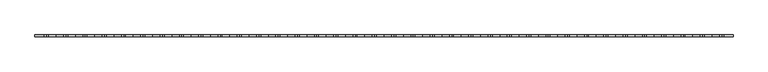
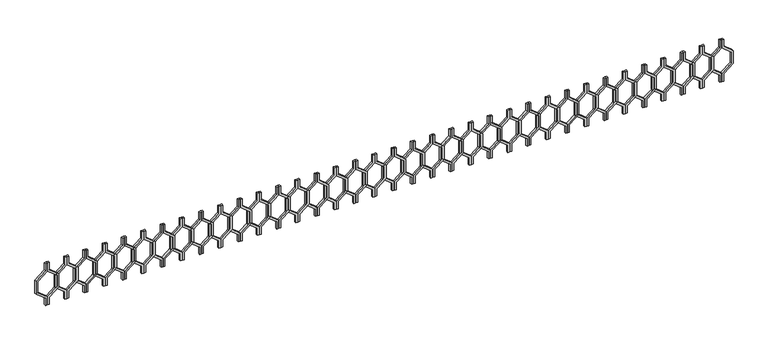
"""IFC4 building model written with IfcOpenShell, lengths in millimetres: railing geometry."""

from ifc_helpers import new_model, si_unit, frame, origin, place, context, project, spatial, polyline, outline, extrude, source, transform, mapped, element, save


def railing_685f9807(model_context):
    return source(origin(), model_context, "Body", "SweptSolid", [
        extrude(outline(polyline([(28862.5128869, 26545.0112841), (28862.5128869, 26525.0112841), (28782.5128869, 26525.0112841), (28702.5128869, 26426.0163347), (28562.5128869, 26426.0163347), (28482.5128869, 26525.0112841), (28402.5128869, 26525.0112841), (28402.5128869, 26545.0112841), (28492.0647319, 26545.0112841), (28572.0647319, 26446.0163347), (28692.9610419, 26446.0163347), (28772.9610419, 26545.0112841), (28862.5128869, 26545.0112841)])), frame((0.0, -16741.8920513, 0.0), z_axis=(0.0, 1.0, 0.0), x_axis=(0.0, 0.0, 1.0)), (0.0, 0.0, 1.0), 20.0),
        extrude(outline(polyline([(28862.5128869, 26545.0112841), (28772.9610419, 26545.0112841), (28692.9610419, 26644.0062335), (28572.0647319, 26644.0062335), (28492.0647319, 26545.0112841), (28402.5128869, 26545.0112841), (28402.5128869, 26565.0112841), (28482.5128869, 26565.0112841), (28562.5128869, 26664.0062335), (28702.5128869, 26664.0062335), (28782.5128869, 26565.0112841), (28862.5128869, 26565.0112841), (28862.5128869, 26545.0112841)])), frame((0.0, -16741.8920513, 0.0), z_axis=(0.0, 1.0, 0.0), x_axis=(0.0, 0.0, 1.0)), (0.0, 0.0, 1.0), 20.0),
        extrude(outline(polyline([(28862.5128869, 26745.0112841), (28862.5128869, 26725.0112841), (28782.5128869, 26725.0112841), (28702.5128869, 26626.0163347), (28562.5128869, 26626.0163347), (28482.5128869, 26725.0112841), (28402.5128869, 26725.0112841), (28402.5128869, 26745.0112841), (28492.0647319, 26745.0112841), (28572.0647319, 26646.0163347), (28692.9610419, 26646.0163347), (28772.9610419, 26745.0112841), (28862.5128869, 26745.0112841)])), frame((0.0, -16741.8920513, 0.0), z_axis=(0.0, 1.0, 0.0), x_axis=(0.0, 0.0, 1.0)), (0.0, 0.0, 1.0), 20.0),
        extrude(outline(polyline([(28862.5128869, 26745.0112841), (28772.9610419, 26745.0112841), (28692.9610419, 26844.0062335), (28572.0647319, 26844.0062335), (28492.0647319, 26745.0112841), (28402.5128869, 26745.0112841), (28402.5128869, 26765.0112841), (28482.5128869, 26765.0112841), (28562.5128869, 26864.0062335), (28702.5128869, 26864.0062335), (28782.5128869, 26765.0112841), (28862.5128869, 26765.0112841), (28862.5128869, 26745.0112841)])), frame((0.0, -16741.8920513, 0.0), z_axis=(0.0, 1.0, 0.0), x_axis=(0.0, 0.0, 1.0)), (0.0, 0.0, 1.0), 20.0),
        extrude(outline(polyline([(28862.5128869, 26945.0112841), (28862.5128869, 26925.0112841), (28782.5128869, 26925.0112841), (28702.5128869, 26826.0163347), (28562.5128869, 26826.0163347), (28482.5128869, 26925.0112841), (28402.5128869, 26925.0112841), (28402.5128869, 26945.0112841), (28492.0647319, 26945.0112841), (28572.0647319, 26846.0163347), (28692.9610419, 26846.0163347), (28772.9610419, 26945.0112841), (28862.5128869, 26945.0112841)])), frame((0.0, -16741.8920513, 0.0), z_axis=(0.0, 1.0, 0.0), x_axis=(0.0, 0.0, 1.0)), (0.0, 0.0, 1.0), 20.0),
        extrude(outline(polyline([(28862.5128869, 26945.0112841), (28772.9610419, 26945.0112841), (28692.9610419, 27044.0062335), (28572.0647319, 27044.0062335), (28492.0647319, 26945.0112841), (28402.5128869, 26945.0112841), (28402.5128869, 26965.0112841), (28482.5128869, 26965.0112841), (28562.5128869, 27064.0062335), (28702.5128869, 27064.0062335), (28782.5128869, 26965.0112841), (28862.5128869, 26965.0112841), (28862.5128869, 26945.0112841)])), frame((0.0, -16741.8920513, 0.0), z_axis=(0.0, 1.0, 0.0), x_axis=(0.0, 0.0, 1.0)), (0.0, 0.0, 1.0), 20.0),
        extrude(outline(polyline([(28862.5128869, 27145.0112841), (28862.5128869, 27125.0112841), (28782.5128869, 27125.0112841), (28702.5128869, 27026.0163347), (28562.5128869, 27026.0163347), (28482.5128869, 27125.0112841), (28402.5128869, 27125.0112841), (28402.5128869, 27145.0112841), (28492.0647319, 27145.0112841), (28572.0647319, 27046.0163347), (28692.9610419, 27046.0163347), (28772.9610419, 27145.0112841), (28862.5128869, 27145.0112841)])), frame((0.0, -16741.8920513, 0.0), z_axis=(0.0, 1.0, 0.0), x_axis=(0.0, 0.0, 1.0)), (0.0, 0.0, 1.0), 20.0),
        extrude(outline(polyline([(28862.5128869, 27145.0112841), (28772.9610419, 27145.0112841), (28692.9610419, 27244.0062335), (28572.0647319, 27244.0062335), (28492.0647319, 27145.0112841), (28402.5128869, 27145.0112841), (28402.5128869, 27165.0112841), (28482.5128869, 27165.0112841), (28562.5128869, 27264.0062335), (28702.5128869, 27264.0062335), (28782.5128869, 27165.0112841), (28862.5128869, 27165.0112841), (28862.5128869, 27145.0112841)])), frame((0.0, -16741.8920513, 0.0), z_axis=(0.0, 1.0, 0.0), x_axis=(0.0, 0.0, 1.0)), (0.0, 0.0, 1.0), 20.0),
        extrude(outline(polyline([(28862.5128869, 27345.0112841), (28862.5128869, 27325.0112841), (28782.5128869, 27325.0112841), (28702.5128869, 27226.0163347), (28562.5128869, 27226.0163347), (28482.5128869, 27325.0112841), (28402.5128869, 27325.0112841), (28402.5128869, 27345.0112841), (28492.0647319, 27345.0112841), (28572.0647319, 27246.0163347), (28692.9610419, 27246.0163347), (28772.9610419, 27345.0112841), (28862.5128869, 27345.0112841)])), frame((0.0, -16741.8920513, 0.0), z_axis=(0.0, 1.0, 0.0), x_axis=(0.0, 0.0, 1.0)), (0.0, 0.0, 1.0), 20.0),
        extrude(outline(polyline([(28862.5128869, 27345.0112841), (28772.9610419, 27345.0112841), (28692.9610419, 27444.0062335), (28572.0647319, 27444.0062335), (28492.0647319, 27345.0112841), (28402.5128869, 27345.0112841), (28402.5128869, 27365.0112841), (28482.5128869, 27365.0112841), (28562.5128869, 27464.0062335), (28702.5128869, 27464.0062335), (28782.5128869, 27365.0112841), (28862.5128869, 27365.0112841), (28862.5128869, 27345.0112841)])), frame((0.0, -16741.8920513, 0.0), z_axis=(0.0, 1.0, 0.0), x_axis=(0.0, 0.0, 1.0)), (0.0, 0.0, 1.0), 20.0),
        extrude(outline(polyline([(28862.5128869, 27545.0112841), (28862.5128869, 27525.0112841), (28782.5128869, 27525.0112841), (28702.5128869, 27426.0163347), (28562.5128869, 27426.0163347), (28482.5128869, 27525.0112841), (28402.5128869, 27525.0112841), (28402.5128869, 27545.0112841), (28492.0647319, 27545.0112841), (28572.0647319, 27446.0163347), (28692.9610419, 27446.0163347), (28772.9610419, 27545.0112841), (28862.5128869, 27545.0112841)])), frame((0.0, -16741.8920513, 0.0), z_axis=(0.0, 1.0, 0.0), x_axis=(0.0, 0.0, 1.0)), (0.0, 0.0, 1.0), 20.0),
        extrude(outline(polyline([(28862.5128869, 27545.0112841), (28772.9610419, 27545.0112841), (28692.9610419, 27644.0062335), (28572.0647319, 27644.0062335), (28492.0647319, 27545.0112841), (28402.5128869, 27545.0112841), (28402.5128869, 27565.0112841), (28482.5128869, 27565.0112841), (28562.5128869, 27664.0062335), (28702.5128869, 27664.0062335), (28782.5128869, 27565.0112841), (28862.5128869, 27565.0112841), (28862.5128869, 27545.0112841)])), frame((0.0, -16741.8920513, 0.0), z_axis=(0.0, 1.0, 0.0), x_axis=(0.0, 0.0, 1.0)), (0.0, 0.0, 1.0), 20.0),
        extrude(outline(polyline([(28862.5128869, 27745.0112841), (28862.5128869, 27725.0112841), (28782.5128869, 27725.0112841), (28702.5128869, 27626.0163347), (28562.5128869, 27626.0163347), (28482.5128869, 27725.0112841), (28402.5128869, 27725.0112841), (28402.5128869, 27745.0112841), (28492.0647319, 27745.0112841), (28572.0647319, 27646.0163347), (28692.9610419, 27646.0163347), (28772.9610419, 27745.0112841), (28862.5128869, 27745.0112841)])), frame((0.0, -16741.8920513, 0.0), z_axis=(0.0, 1.0, 0.0), x_axis=(0.0, 0.0, 1.0)), (0.0, 0.0, 1.0), 20.0),
        extrude(outline(polyline([(28862.5128869, 27745.0112841), (28772.9610419, 27745.0112841), (28692.9610419, 27844.0062335), (28572.0647319, 27844.0062335), (28492.0647319, 27745.0112841), (28402.5128869, 27745.0112841), (28402.5128869, 27765.0112841), (28482.5128869, 27765.0112841), (28562.5128869, 27864.0062335), (28702.5128869, 27864.0062335), (28782.5128869, 27765.0112841), (28862.5128869, 27765.0112841), (28862.5128869, 27745.0112841)])), frame((0.0, -16741.8920513, 0.0), z_axis=(0.0, 1.0, 0.0), x_axis=(0.0, 0.0, 1.0)), (0.0, 0.0, 1.0), 20.0),
        extrude(outline(polyline([(28862.5128869, 27945.0112841), (28862.5128869, 27925.0112841), (28782.5128869, 27925.0112841), (28702.5128869, 27826.0163347), (28562.5128869, 27826.0163347), (28482.5128869, 27925.0112841), (28402.5128869, 27925.0112841), (28402.5128869, 27945.0112841), (28492.0647319, 27945.0112841), (28572.0647319, 27846.0163347), (28692.9610419, 27846.0163347), (28772.9610419, 27945.0112841), (28862.5128869, 27945.0112841)])), frame((0.0, -16741.8920513, 0.0), z_axis=(0.0, 1.0, 0.0), x_axis=(0.0, 0.0, 1.0)), (0.0, 0.0, 1.0), 20.0),
        extrude(outline(polyline([(28862.5128869, 27945.0112841), (28772.9610419, 27945.0112841), (28692.9610419, 28044.0062335), (28572.0647319, 28044.0062335), (28492.0647319, 27945.0112841), (28402.5128869, 27945.0112841), (28402.5128869, 27965.0112841), (28482.5128869, 27965.0112841), (28562.5128869, 28064.0062335), (28702.5128869, 28064.0062335), (28782.5128869, 27965.0112841), (28862.5128869, 27965.0112841), (28862.5128869, 27945.0112841)])), frame((0.0, -16741.8920513, 0.0), z_axis=(0.0, 1.0, 0.0), x_axis=(0.0, 0.0, 1.0)), (0.0, 0.0, 1.0), 20.0),
        extrude(outline(polyline([(28862.5128869, 28145.0112841), (28862.5128869, 28125.0112841), (28782.5128869, 28125.0112841), (28702.5128869, 28026.0163347), (28562.5128869, 28026.0163347), (28482.5128869, 28125.0112841), (28402.5128869, 28125.0112841), (28402.5128869, 28145.0112841), (28492.0647319, 28145.0112841), (28572.0647319, 28046.0163347), (28692.9610419, 28046.0163347), (28772.9610419, 28145.0112841), (28862.5128869, 28145.0112841)])), frame((0.0, -16741.8920513, 0.0), z_axis=(0.0, 1.0, 0.0), x_axis=(0.0, 0.0, 1.0)), (0.0, 0.0, 1.0), 20.0),
        extrude(outline(polyline([(28862.5128869, 28145.0112841), (28772.9610419, 28145.0112841), (28692.9610419, 28244.0062335), (28572.0647319, 28244.0062335), (28492.0647319, 28145.0112841), (28402.5128869, 28145.0112841), (28402.5128869, 28165.0112841), (28482.5128869, 28165.0112841), (28562.5128869, 28264.0062335), (28702.5128869, 28264.0062335), (28782.5128869, 28165.0112841), (28862.5128869, 28165.0112841), (28862.5128869, 28145.0112841)])), frame((0.0, -16741.8920513, 0.0), z_axis=(0.0, 1.0, 0.0), x_axis=(0.0, 0.0, 1.0)), (0.0, 0.0, 1.0), 20.0),
        extrude(outline(polyline([(28862.5128869, 28345.0112841), (28862.5128869, 28325.0112841), (28782.5128869, 28325.0112841), (28702.5128869, 28226.0163347), (28562.5128869, 28226.0163347), (28482.5128869, 28325.0112841), (28402.5128869, 28325.0112841), (28402.5128869, 28345.0112841), (28492.0647319, 28345.0112841), (28572.0647319, 28246.0163347), (28692.9610419, 28246.0163347), (28772.9610419, 28345.0112841), (28862.5128869, 28345.0112841)])), frame((0.0, -16741.8920513, 0.0), z_axis=(0.0, 1.0, 0.0), x_axis=(0.0, 0.0, 1.0)), (0.0, 0.0, 1.0), 20.0),
        extrude(outline(polyline([(28862.5128869, 28345.0112841), (28772.9610419, 28345.0112841), (28692.9610419, 28444.0062335), (28572.0647319, 28444.0062335), (28492.0647319, 28345.0112841), (28402.5128869, 28345.0112841), (28402.5128869, 28365.0112841), (28482.5128869, 28365.0112841), (28562.5128869, 28464.0062335), (28702.5128869, 28464.0062335), (28782.5128869, 28365.0112841), (28862.5128869, 28365.0112841), (28862.5128869, 28345.0112841)])), frame((0.0, -16741.8920513, 0.0), z_axis=(0.0, 1.0, 0.0), x_axis=(0.0, 0.0, 1.0)), (0.0, 0.0, 1.0), 20.0),
        extrude(outline(polyline([(28862.5128869, 28545.0112841), (28862.5128869, 28525.0112841), (28782.5128869, 28525.0112841), (28702.5128869, 28426.0163347), (28562.5128869, 28426.0163347), (28482.5128869, 28525.0112841), (28402.5128869, 28525.0112841), (28402.5128869, 28545.0112841), (28492.0647319, 28545.0112841), (28572.0647319, 28446.0163347), (28692.9610419, 28446.0163347), (28772.9610419, 28545.0112841), (28862.5128869, 28545.0112841)])), frame((0.0, -16741.8920513, 0.0), z_axis=(0.0, 1.0, 0.0), x_axis=(0.0, 0.0, 1.0)), (0.0, 0.0, 1.0), 20.0),
        extrude(outline(polyline([(28862.5128869, 28545.0112841), (28772.9610419, 28545.0112841), (28692.9610419, 28644.0062335), (28572.0647319, 28644.0062335), (28492.0647319, 28545.0112841), (28402.5128869, 28545.0112841), (28402.5128869, 28565.0112841), (28482.5128869, 28565.0112841), (28562.5128869, 28664.0062335), (28702.5128869, 28664.0062335), (28782.5128869, 28565.0112841), (28862.5128869, 28565.0112841), (28862.5128869, 28545.0112841)])), frame((0.0, -16741.8920513, 0.0), z_axis=(0.0, 1.0, 0.0), x_axis=(0.0, 0.0, 1.0)), (0.0, 0.0, 1.0), 20.0),
        extrude(outline(polyline([(28862.5128869, 28745.0112841), (28862.5128869, 28725.0112841), (28782.5128869, 28725.0112841), (28702.5128869, 28626.0163347), (28562.5128869, 28626.0163347), (28482.5128869, 28725.0112841), (28402.5128869, 28725.0112841), (28402.5128869, 28745.0112841), (28492.0647319, 28745.0112841), (28572.0647319, 28646.0163347), (28692.9610419, 28646.0163347), (28772.9610419, 28745.0112841), (28862.5128869, 28745.0112841)])), frame((0.0, -16741.8920513, 0.0), z_axis=(0.0, 1.0, 0.0), x_axis=(0.0, 0.0, 1.0)), (0.0, 0.0, 1.0), 20.0),
        extrude(outline(polyline([(28862.5128869, 28745.0112841), (28772.9610419, 28745.0112841), (28692.9610419, 28844.0062335), (28572.0647319, 28844.0062335), (28492.0647319, 28745.0112841), (28402.5128869, 28745.0112841), (28402.5128869, 28765.0112841), (28482.5128869, 28765.0112841), (28562.5128869, 28864.0062335), (28702.5128869, 28864.0062335), (28782.5128869, 28765.0112841), (28862.5128869, 28765.0112841), (28862.5128869, 28745.0112841)])), frame((0.0, -16741.8920513, 0.0), z_axis=(0.0, 1.0, 0.0), x_axis=(0.0, 0.0, 1.0)), (0.0, 0.0, 1.0), 20.0),
        extrude(outline(polyline([(28862.5128869, 28945.0112841), (28862.5128869, 28925.0112841), (28782.5128869, 28925.0112841), (28702.5128869, 28826.0163347), (28562.5128869, 28826.0163347), (28482.5128869, 28925.0112841), (28402.5128869, 28925.0112841), (28402.5128869, 28945.0112841), (28492.0647319, 28945.0112841), (28572.0647319, 28846.0163347), (28692.9610419, 28846.0163347), (28772.9610419, 28945.0112841), (28862.5128869, 28945.0112841)])), frame((0.0, -16741.8920513, 0.0), z_axis=(0.0, 1.0, 0.0), x_axis=(0.0, 0.0, 1.0)), (0.0, 0.0, 1.0), 20.0),
        extrude(outline(polyline([(28862.5128869, 28945.0112841), (28772.9610419, 28945.0112841), (28692.9610419, 29044.0062335), (28572.0647319, 29044.0062335), (28492.0647319, 28945.0112841), (28402.5128869, 28945.0112841), (28402.5128869, 28965.0112841), (28482.5128869, 28965.0112841), (28562.5128869, 29064.0062335), (28702.5128869, 29064.0062335), (28782.5128869, 28965.0112841), (28862.5128869, 28965.0112841), (28862.5128869, 28945.0112841)])), frame((0.0, -16741.8920513, 0.0), z_axis=(0.0, 1.0, 0.0), x_axis=(0.0, 0.0, 1.0)), (0.0, 0.0, 1.0), 20.0),
        extrude(outline(polyline([(28862.5128869, 29145.0112841), (28862.5128869, 29125.0112841), (28782.5128869, 29125.0112841), (28702.5128869, 29026.0163347), (28562.5128869, 29026.0163347), (28482.5128869, 29125.0112841), (28402.5128869, 29125.0112841), (28402.5128869, 29145.0112841), (28492.0647319, 29145.0112841), (28572.0647319, 29046.0163347), (28692.9610419, 29046.0163347), (28772.9610419, 29145.0112841), (28862.5128869, 29145.0112841)])), frame((0.0, -16741.8920513, 0.0), z_axis=(0.0, 1.0, 0.0), x_axis=(0.0, 0.0, 1.0)), (0.0, 0.0, 1.0), 20.0),
        extrude(outline(polyline([(28862.5128869, 29145.0112841), (28772.9610419, 29145.0112841), (28692.9610419, 29244.0062335), (28572.0647319, 29244.0062335), (28492.0647319, 29145.0112841), (28402.5128869, 29145.0112841), (28402.5128869, 29165.0112841), (28482.5128869, 29165.0112841), (28562.5128869, 29264.0062335), (28702.5128869, 29264.0062335), (28782.5128869, 29165.0112841), (28862.5128869, 29165.0112841), (28862.5128869, 29145.0112841)])), frame((0.0, -16741.8920513, 0.0), z_axis=(0.0, 1.0, 0.0), x_axis=(0.0, 0.0, 1.0)), (0.0, 0.0, 1.0), 20.0),
        extrude(outline(polyline([(28862.5128869, 29345.0112841), (28862.5128869, 29325.0112841), (28782.5128869, 29325.0112841), (28702.5128869, 29226.0163347), (28562.5128869, 29226.0163347), (28482.5128869, 29325.0112841), (28402.5128869, 29325.0112841), (28402.5128869, 29345.0112841), (28492.0647319, 29345.0112841), (28572.0647319, 29246.0163347), (28692.9610419, 29246.0163347), (28772.9610419, 29345.0112841), (28862.5128869, 29345.0112841)])), frame((0.0, -16741.8920513, 0.0), z_axis=(0.0, 1.0, 0.0), x_axis=(0.0, 0.0, 1.0)), (0.0, 0.0, 1.0), 20.0),
        extrude(outline(polyline([(28862.5128869, 29345.0112841), (28772.9610419, 29345.0112841), (28692.9610419, 29444.0062335), (28572.0647319, 29444.0062335), (28492.0647319, 29345.0112841), (28402.5128869, 29345.0112841), (28402.5128869, 29365.0112841), (28482.5128869, 29365.0112841), (28562.5128869, 29464.0062335), (28702.5128869, 29464.0062335), (28782.5128869, 29365.0112841), (28862.5128869, 29365.0112841), (28862.5128869, 29345.0112841)])), frame((0.0, -16741.8920513, 0.0), z_axis=(0.0, 1.0, 0.0), x_axis=(0.0, 0.0, 1.0)), (0.0, 0.0, 1.0), 20.0),
        extrude(outline(polyline([(28862.5128869, 29545.0112841), (28862.5128869, 29525.0112841), (28782.5128869, 29525.0112841), (28702.5128869, 29426.0163347), (28562.5128869, 29426.0163347), (28482.5128869, 29525.0112841), (28402.5128869, 29525.0112841), (28402.5128869, 29545.0112841), (28492.0647319, 29545.0112841), (28572.0647319, 29446.0163347), (28692.9610419, 29446.0163347), (28772.9610419, 29545.0112841), (28862.5128869, 29545.0112841)])), frame((0.0, -16741.8920513, 0.0), z_axis=(0.0, 1.0, 0.0), x_axis=(0.0, 0.0, 1.0)), (0.0, 0.0, 1.0), 20.0),
        extrude(outline(polyline([(28862.5128869, 29545.0112841), (28772.9610419, 29545.0112841), (28692.9610419, 29644.0062335), (28572.0647319, 29644.0062335), (28492.0647319, 29545.0112841), (28402.5128869, 29545.0112841), (28402.5128869, 29565.0112841), (28482.5128869, 29565.0112841), (28562.5128869, 29664.0062335), (28702.5128869, 29664.0062335), (28782.5128869, 29565.0112841), (28862.5128869, 29565.0112841), (28862.5128869, 29545.0112841)])), frame((0.0, -16741.8920513, 0.0), z_axis=(0.0, 1.0, 0.0), x_axis=(0.0, 0.0, 1.0)), (0.0, 0.0, 1.0), 20.0),
        extrude(outline(polyline([(28862.5128869, 29745.0112841), (28862.5128869, 29725.0112841), (28782.5128869, 29725.0112841), (28702.5128869, 29626.0163347), (28562.5128869, 29626.0163347), (28482.5128869, 29725.0112841), (28402.5128869, 29725.0112841), (28402.5128869, 29745.0112841), (28492.0647319, 29745.0112841), (28572.0647319, 29646.0163347), (28692.9610419, 29646.0163347), (28772.9610419, 29745.0112841), (28862.5128869, 29745.0112841)])), frame((0.0, -16741.8920513, 0.0), z_axis=(0.0, 1.0, 0.0), x_axis=(0.0, 0.0, 1.0)), (0.0, 0.0, 1.0), 20.0),
        extrude(outline(polyline([(28862.5128869, 29745.0112841), (28772.9610419, 29745.0112841), (28692.9610419, 29844.0062335), (28572.0647319, 29844.0062335), (28492.0647319, 29745.0112841), (28402.5128869, 29745.0112841), (28402.5128869, 29765.0112841), (28482.5128869, 29765.0112841), (28562.5128869, 29864.0062335), (28702.5128869, 29864.0062335), (28782.5128869, 29765.0112841), (28862.5128869, 29765.0112841), (28862.5128869, 29745.0112841)])), frame((0.0, -16741.8920513, 0.0), z_axis=(0.0, 1.0, 0.0), x_axis=(0.0, 0.0, 1.0)), (0.0, 0.0, 1.0), 20.0),
        extrude(outline(polyline([(28862.5128869, 29945.0112841), (28862.5128869, 29925.0112841), (28782.5128869, 29925.0112841), (28702.5128869, 29826.0163347), (28562.5128869, 29826.0163347), (28482.5128869, 29925.0112841), (28402.5128869, 29925.0112841), (28402.5128869, 29945.0112841), (28492.0647319, 29945.0112841), (28572.0647319, 29846.0163347), (28692.9610419, 29846.0163347), (28772.9610419, 29945.0112841), (28862.5128869, 29945.0112841)])), frame((0.0, -16741.8920513, 0.0), z_axis=(0.0, 1.0, 0.0), x_axis=(0.0, 0.0, 1.0)), (0.0, 0.0, 1.0), 20.0),
        extrude(outline(polyline([(28862.5128869, 29945.0112841), (28772.9610419, 29945.0112841), (28692.9610419, 30044.0062335), (28572.0647319, 30044.0062335), (28492.0647319, 29945.0112841), (28402.5128869, 29945.0112841), (28402.5128869, 29965.0112841), (28482.5128869, 29965.0112841), (28562.5128869, 30064.0062335), (28702.5128869, 30064.0062335), (28782.5128869, 29965.0112841), (28862.5128869, 29965.0112841), (28862.5128869, 29945.0112841)])), frame((0.0, -16741.8920513, 0.0), z_axis=(0.0, 1.0, 0.0), x_axis=(0.0, 0.0, 1.0)), (0.0, 0.0, 1.0), 20.0),
        extrude(outline(polyline([(28862.5128869, 30145.0112841), (28862.5128869, 30125.0112841), (28782.5128869, 30125.0112841), (28702.5128869, 30026.0163347), (28562.5128869, 30026.0163347), (28482.5128869, 30125.0112841), (28402.5128869, 30125.0112841), (28402.5128869, 30145.0112841), (28492.0647319, 30145.0112841), (28572.0647319, 30046.0163347), (28692.9610419, 30046.0163347), (28772.9610419, 30145.0112841), (28862.5128869, 30145.0112841)])), frame((0.0, -16741.8920513, 0.0), z_axis=(0.0, 1.0, 0.0), x_axis=(0.0, 0.0, 1.0)), (0.0, 0.0, 1.0), 20.0),
        extrude(outline(polyline([(28862.5128869, 30145.0112841), (28772.9610419, 30145.0112841), (28692.9610419, 30244.0062335), (28572.0647319, 30244.0062335), (28492.0647319, 30145.0112841), (28402.5128869, 30145.0112841), (28402.5128869, 30165.0112841), (28482.5128869, 30165.0112841), (28562.5128869, 30264.0062335), (28702.5128869, 30264.0062335), (28782.5128869, 30165.0112841), (28862.5128869, 30165.0112841), (28862.5128869, 30145.0112841)])), frame((0.0, -16741.8920513, 0.0), z_axis=(0.0, 1.0, 0.0), x_axis=(0.0, 0.0, 1.0)), (0.0, 0.0, 1.0), 20.0),
        extrude(outline(polyline([(28862.5128869, 30345.0112841), (28862.5128869, 30325.0112841), (28782.5128869, 30325.0112841), (28702.5128869, 30226.0163347), (28562.5128869, 30226.0163347), (28482.5128869, 30325.0112841), (28402.5128869, 30325.0112841), (28402.5128869, 30345.0112841), (28492.0647319, 30345.0112841), (28572.0647319, 30246.0163347), (28692.9610419, 30246.0163347), (28772.9610419, 30345.0112841), (28862.5128869, 30345.0112841)])), frame((0.0, -16741.8920513, 0.0), z_axis=(0.0, 1.0, 0.0), x_axis=(0.0, 0.0, 1.0)), (0.0, 0.0, 1.0), 20.0),
        extrude(outline(polyline([(28862.5128869, 30345.0112841), (28772.9610419, 30345.0112841), (28692.9610419, 30444.0062335), (28572.0647319, 30444.0062335), (28492.0647319, 30345.0112841), (28402.5128869, 30345.0112841), (28402.5128869, 30365.0112841), (28482.5128869, 30365.0112841), (28562.5128869, 30464.0062335), (28702.5128869, 30464.0062335), (28782.5128869, 30365.0112841), (28862.5128869, 30365.0112841), (28862.5128869, 30345.0112841)])), frame((0.0, -16741.8920513, 0.0), z_axis=(0.0, 1.0, 0.0), x_axis=(0.0, 0.0, 1.0)), (0.0, 0.0, 1.0), 20.0),
        extrude(outline(polyline([(28862.5128869, 30545.0112841), (28862.5128869, 30525.0112841), (28782.5128869, 30525.0112841), (28702.5128869, 30426.0163347), (28562.5128869, 30426.0163347), (28482.5128869, 30525.0112841), (28402.5128869, 30525.0112841), (28402.5128869, 30545.0112841), (28492.0647319, 30545.0112841), (28572.0647319, 30446.0163347), (28692.9610419, 30446.0163347), (28772.9610419, 30545.0112841), (28862.5128869, 30545.0112841)])), frame((0.0, -16741.8920513, 0.0), z_axis=(0.0, 1.0, 0.0), x_axis=(0.0, 0.0, 1.0)), (0.0, 0.0, 1.0), 20.0),
        extrude(outline(polyline([(28862.5128869, 30545.0112841), (28772.9610419, 30545.0112841), (28692.9610419, 30644.0062335), (28572.0647319, 30644.0062335), (28492.0647319, 30545.0112841), (28402.5128869, 30545.0112841), (28402.5128869, 30565.0112841), (28482.5128869, 30565.0112841), (28562.5128869, 30664.0062335), (28702.5128869, 30664.0062335), (28782.5128869, 30565.0112841), (28862.5128869, 30565.0112841), (28862.5128869, 30545.0112841)])), frame((0.0, -16741.8920513, 0.0), z_axis=(0.0, 1.0, 0.0), x_axis=(0.0, 0.0, 1.0)), (0.0, 0.0, 1.0), 20.0),
        extrude(outline(polyline([(28862.5128869, 30745.0112841), (28862.5128869, 30725.0112841), (28782.5128869, 30725.0112841), (28702.5128869, 30626.0163347), (28562.5128869, 30626.0163347), (28482.5128869, 30725.0112841), (28402.5128869, 30725.0112841), (28402.5128869, 30745.0112841), (28492.0647319, 30745.0112841), (28572.0647319, 30646.0163347), (28692.9610419, 30646.0163347), (28772.9610419, 30745.0112841), (28862.5128869, 30745.0112841)])), frame((0.0, -16741.8920513, 0.0), z_axis=(0.0, 1.0, 0.0), x_axis=(0.0, 0.0, 1.0)), (0.0, 0.0, 1.0), 20.0),
        extrude(outline(polyline([(28862.5128869, 30745.0112841), (28772.9610419, 30745.0112841), (28692.9610419, 30844.0062335), (28572.0647319, 30844.0062335), (28492.0647319, 30745.0112841), (28402.5128869, 30745.0112841), (28402.5128869, 30765.0112841), (28482.5128869, 30765.0112841), (28562.5128869, 30864.0062335), (28702.5128869, 30864.0062335), (28782.5128869, 30765.0112841), (28862.5128869, 30765.0112841), (28862.5128869, 30745.0112841)])), frame((0.0, -16741.8920513, 0.0), z_axis=(0.0, 1.0, 0.0), x_axis=(0.0, 0.0, 1.0)), (0.0, 0.0, 1.0), 20.0),
        extrude(outline(polyline([(28862.5128869, 30945.0112841), (28862.5128869, 30925.0112841), (28782.5128869, 30925.0112841), (28702.5128869, 30826.0163347), (28562.5128869, 30826.0163347), (28482.5128869, 30925.0112841), (28402.5128869, 30925.0112841), (28402.5128869, 30945.0112841), (28492.0647319, 30945.0112841), (28572.0647319, 30846.0163347), (28692.9610419, 30846.0163347), (28772.9610419, 30945.0112841), (28862.5128869, 30945.0112841)])), frame((0.0, -16741.8920513, 0.0), z_axis=(0.0, 1.0, 0.0), x_axis=(0.0, 0.0, 1.0)), (0.0, 0.0, 1.0), 20.0),
        extrude(outline(polyline([(28862.5128869, 30945.0112841), (28772.9610419, 30945.0112841), (28692.9610419, 31044.0062335), (28572.0647319, 31044.0062335), (28492.0647319, 30945.0112841), (28402.5128869, 30945.0112841), (28402.5128869, 30965.0112841), (28482.5128869, 30965.0112841), (28562.5128869, 31064.0062335), (28702.5128869, 31064.0062335), (28782.5128869, 30965.0112841), (28862.5128869, 30965.0112841), (28862.5128869, 30945.0112841)])), frame((0.0, -16741.8920513, 0.0), z_axis=(0.0, 1.0, 0.0), x_axis=(0.0, 0.0, 1.0)), (0.0, 0.0, 1.0), 20.0),
        extrude(outline(polyline([(28862.5128869, 31145.0112841), (28862.5128869, 31125.0112841), (28782.5128869, 31125.0112841), (28702.5128869, 31026.0163347), (28562.5128869, 31026.0163347), (28482.5128869, 31125.0112841), (28402.5128869, 31125.0112841), (28402.5128869, 31145.0112841), (28492.0647319, 31145.0112841), (28572.0647319, 31046.0163347), (28692.9610419, 31046.0163347), (28772.9610419, 31145.0112841), (28862.5128869, 31145.0112841)])), frame((0.0, -16741.8920513, 0.0), z_axis=(0.0, 1.0, 0.0), x_axis=(0.0, 0.0, 1.0)), (0.0, 0.0, 1.0), 20.0),
        extrude(outline(polyline([(28862.5128869, 31145.0112841), (28772.9610419, 31145.0112841), (28692.9610419, 31244.0062335), (28572.0647319, 31244.0062335), (28492.0647319, 31145.0112841), (28402.5128869, 31145.0112841), (28402.5128869, 31165.0112841), (28482.5128869, 31165.0112841), (28562.5128869, 31264.0062335), (28702.5128869, 31264.0062335), (28782.5128869, 31165.0112841), (28862.5128869, 31165.0112841), (28862.5128869, 31145.0112841)])), frame((0.0, -16741.8920513, 0.0), z_axis=(0.0, 1.0, 0.0), x_axis=(0.0, 0.0, 1.0)), (0.0, 0.0, 1.0), 20.0),
        extrude(outline(polyline([(28862.5128869, 31345.0112841), (28862.5128869, 31325.0112841), (28782.5128869, 31325.0112841), (28702.5128869, 31226.0163347), (28562.5128869, 31226.0163347), (28482.5128869, 31325.0112841), (28402.5128869, 31325.0112841), (28402.5128869, 31345.0112841), (28492.0647319, 31345.0112841), (28572.0647319, 31246.0163347), (28692.9610419, 31246.0163347), (28772.9610419, 31345.0112841), (28862.5128869, 31345.0112841)])), frame((0.0, -16741.8920513, 0.0), z_axis=(0.0, 1.0, 0.0), x_axis=(0.0, 0.0, 1.0)), (0.0, 0.0, 1.0), 20.0),
        extrude(outline(polyline([(28862.5128869, 31345.0112841), (28772.9610419, 31345.0112841), (28692.9610419, 31444.0062335), (28572.0647319, 31444.0062335), (28492.0647319, 31345.0112841), (28402.5128869, 31345.0112841), (28402.5128869, 31365.0112841), (28482.5128869, 31365.0112841), (28562.5128869, 31464.0062335), (28702.5128869, 31464.0062335), (28782.5128869, 31365.0112841), (28862.5128869, 31365.0112841), (28862.5128869, 31345.0112841)])), frame((0.0, -16741.8920513, 0.0), z_axis=(0.0, 1.0, 0.0), x_axis=(0.0, 0.0, 1.0)), (0.0, 0.0, 1.0), 20.0),
        extrude(outline(polyline([(28862.5128869, 31545.0112841), (28862.5128869, 31525.0112841), (28782.5128869, 31525.0112841), (28702.5128869, 31426.0163347), (28562.5128869, 31426.0163347), (28482.5128869, 31525.0112841), (28402.5128869, 31525.0112841), (28402.5128869, 31545.0112841), (28492.0647319, 31545.0112841), (28572.0647319, 31446.0163347), (28692.9610419, 31446.0163347), (28772.9610419, 31545.0112841), (28862.5128869, 31545.0112841)])), frame((0.0, -16741.8920513, 0.0), z_axis=(0.0, 1.0, 0.0), x_axis=(0.0, 0.0, 1.0)), (0.0, 0.0, 1.0), 20.0),
        extrude(outline(polyline([(28862.5128869, 31545.0112841), (28772.9610419, 31545.0112841), (28692.9610419, 31644.0062335), (28572.0647319, 31644.0062335), (28492.0647319, 31545.0112841), (28402.5128869, 31545.0112841), (28402.5128869, 31565.0112841), (28482.5128869, 31565.0112841), (28562.5128869, 31664.0062335), (28702.5128869, 31664.0062335), (28782.5128869, 31565.0112841), (28862.5128869, 31565.0112841), (28862.5128869, 31545.0112841)])), frame((0.0, -16741.8920513, 0.0), z_axis=(0.0, 1.0, 0.0), x_axis=(0.0, 0.0, 1.0)), (0.0, 0.0, 1.0), 20.0),
        extrude(outline(polyline([(28862.5128869, 31745.0112841), (28862.5128869, 31725.0112841), (28782.5128869, 31725.0112841), (28702.5128869, 31626.0163347), (28562.5128869, 31626.0163347), (28482.5128869, 31725.0112841), (28402.5128869, 31725.0112841), (28402.5128869, 31745.0112841), (28492.0647319, 31745.0112841), (28572.0647319, 31646.0163347), (28692.9610419, 31646.0163347), (28772.9610419, 31745.0112841), (28862.5128869, 31745.0112841)])), frame((0.0, -16741.8920513, 0.0), z_axis=(0.0, 1.0, 0.0), x_axis=(0.0, 0.0, 1.0)), (0.0, 0.0, 1.0), 20.0),
        extrude(outline(polyline([(28862.5128869, 31745.0112841), (28772.9610419, 31745.0112841), (28692.9610419, 31844.0062335), (28572.0647319, 31844.0062335), (28492.0647319, 31745.0112841), (28402.5128869, 31745.0112841), (28402.5128869, 31765.0112841), (28482.5128869, 31765.0112841), (28562.5128869, 31864.0062335), (28702.5128869, 31864.0062335), (28782.5128869, 31765.0112841), (28862.5128869, 31765.0112841), (28862.5128869, 31745.0112841)])), frame((0.0, -16741.8920513, 0.0), z_axis=(0.0, 1.0, 0.0), x_axis=(0.0, 0.0, 1.0)), (0.0, 0.0, 1.0), 20.0),
        extrude(outline(polyline([(28862.5128869, 31945.0112841), (28862.5128869, 31925.0112841), (28782.5128869, 31925.0112841), (28702.5128869, 31826.0163347), (28562.5128869, 31826.0163347), (28482.5128869, 31925.0112841), (28402.5128869, 31925.0112841), (28402.5128869, 31945.0112841), (28492.0647319, 31945.0112841), (28572.0647319, 31846.0163347), (28692.9610419, 31846.0163347), (28772.9610419, 31945.0112841), (28862.5128869, 31945.0112841)])), frame((0.0, -16741.8920513, 0.0), z_axis=(0.0, 1.0, 0.0), x_axis=(0.0, 0.0, 1.0)), (0.0, 0.0, 1.0), 20.0),
        extrude(outline(polyline([(28862.5128869, 31945.0112841), (28772.9610419, 31945.0112841), (28692.9610419, 32044.0062335), (28572.0647319, 32044.0062335), (28492.0647319, 31945.0112841), (28402.5128869, 31945.0112841), (28402.5128869, 31965.0112841), (28482.5128869, 31965.0112841), (28562.5128869, 32064.0062335), (28702.5128869, 32064.0062335), (28782.5128869, 31965.0112841), (28862.5128869, 31965.0112841), (28862.5128869, 31945.0112841)])), frame((0.0, -16741.8920513, 0.0), z_axis=(0.0, 1.0, 0.0), x_axis=(0.0, 0.0, 1.0)), (0.0, 0.0, 1.0), 20.0),
        extrude(outline(polyline([(28862.5128869, 32145.0112841), (28862.5128869, 32125.0112841), (28782.5128869, 32125.0112841), (28702.5128869, 32026.0163347), (28562.5128869, 32026.0163347), (28482.5128869, 32125.0112841), (28402.5128869, 32125.0112841), (28402.5128869, 32145.0112841), (28492.0647319, 32145.0112841), (28572.0647319, 32046.0163347), (28692.9610419, 32046.0163347), (28772.9610419, 32145.0112841), (28862.5128869, 32145.0112841)])), frame((0.0, -16741.8920513, 0.0), z_axis=(0.0, 1.0, 0.0), x_axis=(0.0, 0.0, 1.0)), (0.0, 0.0, 1.0), 20.0),
        extrude(outline(polyline([(28862.5128869, 32145.0112841), (28772.9610419, 32145.0112841), (28692.9610419, 32244.0062335), (28572.0647319, 32244.0062335), (28492.0647319, 32145.0112841), (28402.5128869, 32145.0112841), (28402.5128869, 32165.0112841), (28482.5128869, 32165.0112841), (28562.5128869, 32264.0062335), (28702.5128869, 32264.0062335), (28782.5128869, 32165.0112841), (28862.5128869, 32165.0112841), (28862.5128869, 32145.0112841)])), frame((0.0, -16741.8920513, 0.0), z_axis=(0.0, 1.0, 0.0), x_axis=(0.0, 0.0, 1.0)), (0.0, 0.0, 1.0), 20.0),
        extrude(outline(polyline([(28862.5128869, 32345.0112841), (28862.5128869, 32325.0112841), (28782.5128869, 32325.0112841), (28702.5128869, 32226.0163347), (28562.5128869, 32226.0163347), (28482.5128869, 32325.0112841), (28402.5128869, 32325.0112841), (28402.5128869, 32345.0112841), (28492.0647319, 32345.0112841), (28572.0647319, 32246.0163347), (28692.9610419, 32246.0163347), (28772.9610419, 32345.0112841), (28862.5128869, 32345.0112841)])), frame((0.0, -16741.8920513, 0.0), z_axis=(0.0, 1.0, 0.0), x_axis=(0.0, 0.0, 1.0)), (0.0, 0.0, 1.0), 20.0),
        extrude(outline(polyline([(28862.5128869, 32345.0112841), (28772.9610419, 32345.0112841), (28692.9610419, 32444.0062335), (28572.0647319, 32444.0062335), (28492.0647319, 32345.0112841), (28402.5128869, 32345.0112841), (28402.5128869, 32365.0112841), (28482.5128869, 32365.0112841), (28562.5128869, 32464.0062335), (28702.5128869, 32464.0062335), (28782.5128869, 32365.0112841), (28862.5128869, 32365.0112841), (28862.5128869, 32345.0112841)])), frame((0.0, -16741.8920513, 0.0), z_axis=(0.0, 1.0, 0.0), x_axis=(0.0, 0.0, 1.0)), (0.0, 0.0, 1.0), 20.0),
        extrude(outline(polyline([(28862.5128869, 32545.0112841), (28862.5128869, 32525.0112841), (28782.5128869, 32525.0112841), (28702.5128869, 32426.0163347), (28562.5128869, 32426.0163347), (28482.5128869, 32525.0112841), (28402.5128869, 32525.0112841), (28402.5128869, 32545.0112841), (28492.0647319, 32545.0112841), (28572.0647319, 32446.0163347), (28692.9610419, 32446.0163347), (28772.9610419, 32545.0112841), (28862.5128869, 32545.0112841)])), frame((0.0, -16741.8920513, 0.0), z_axis=(0.0, 1.0, 0.0), x_axis=(0.0, 0.0, 1.0)), (0.0, 0.0, 1.0), 20.0),
        extrude(outline(polyline([(28862.5128869, 32545.0112841), (28772.9610419, 32545.0112841), (28692.9610419, 32644.0062335), (28572.0647319, 32644.0062335), (28492.0647319, 32545.0112841), (28402.5128869, 32545.0112841), (28402.5128869, 32565.0112841), (28482.5128869, 32565.0112841), (28562.5128869, 32664.0062335), (28702.5128869, 32664.0062335), (28782.5128869, 32565.0112841), (28862.5128869, 32565.0112841), (28862.5128869, 32545.0112841)])), frame((0.0, -16741.8920513, 0.0), z_axis=(0.0, 1.0, 0.0), x_axis=(0.0, 0.0, 1.0)), (0.0, 0.0, 1.0), 20.0),
        extrude(outline(polyline([(28862.5128869, 32745.0112841), (28862.5128869, 32725.0112841), (28782.5128869, 32725.0112841), (28702.5128869, 32626.0163347), (28562.5128869, 32626.0163347), (28482.5128869, 32725.0112841), (28402.5128869, 32725.0112841), (28402.5128869, 32745.0112841), (28492.0647319, 32745.0112841), (28572.0647319, 32646.0163347), (28692.9610419, 32646.0163347), (28772.9610419, 32745.0112841), (28862.5128869, 32745.0112841)])), frame((0.0, -16741.8920513, 0.0), z_axis=(0.0, 1.0, 0.0), x_axis=(0.0, 0.0, 1.0)), (0.0, 0.0, 1.0), 20.0),
        extrude(outline(polyline([(28862.5128869, 32745.0112841), (28772.9610419, 32745.0112841), (28692.9610419, 32844.0062335), (28572.0647319, 32844.0062335), (28492.0647319, 32745.0112841), (28402.5128869, 32745.0112841), (28402.5128869, 32765.0112841), (28482.5128869, 32765.0112841), (28562.5128869, 32864.0062335), (28702.5128869, 32864.0062335), (28782.5128869, 32765.0112841), (28862.5128869, 32765.0112841), (28862.5128869, 32745.0112841)])), frame((0.0, -16741.8920513, 0.0), z_axis=(0.0, 1.0, 0.0), x_axis=(0.0, 0.0, 1.0)), (0.0, 0.0, 1.0), 20.0),
        extrude(outline(polyline([(28862.5128869, 32945.0112841), (28862.5128869, 32925.0112841), (28782.5128869, 32925.0112841), (28702.5128869, 32826.0163347), (28562.5128869, 32826.0163347), (28482.5128869, 32925.0112841), (28402.5128869, 32925.0112841), (28402.5128869, 32945.0112841), (28492.0647319, 32945.0112841), (28572.0647319, 32846.0163347), (28692.9610419, 32846.0163347), (28772.9610419, 32945.0112841), (28862.5128869, 32945.0112841)])), frame((0.0, -16741.8920513, 0.0), z_axis=(0.0, 1.0, 0.0), x_axis=(0.0, 0.0, 1.0)), (0.0, 0.0, 1.0), 20.0),
        extrude(outline(polyline([(28862.5128869, 32945.0112841), (28772.9610419, 32945.0112841), (28692.9610419, 33044.0062335), (28572.0647319, 33044.0062335), (28492.0647319, 32945.0112841), (28402.5128869, 32945.0112841), (28402.5128869, 32965.0112841), (28482.5128869, 32965.0112841), (28562.5128869, 33064.0062335), (28702.5128869, 33064.0062335), (28782.5128869, 32965.0112841), (28862.5128869, 32965.0112841), (28862.5128869, 32945.0112841)])), frame((0.0, -16741.8920513, 0.0), z_axis=(0.0, 1.0, 0.0), x_axis=(0.0, 0.0, 1.0)), (0.0, 0.0, 1.0), 20.0),
        extrude(outline(polyline([(28862.5128869, 33145.0112841), (28862.5128869, 33125.0112841), (28782.5128869, 33125.0112841), (28702.5128869, 33026.0163347), (28562.5128869, 33026.0163347), (28482.5128869, 33125.0112841), (28402.5128869, 33125.0112841), (28402.5128869, 33145.0112841), (28492.0647319, 33145.0112841), (28572.0647319, 33046.0163347), (28692.9610419, 33046.0163347), (28772.9610419, 33145.0112841), (28862.5128869, 33145.0112841)])), frame((0.0, -16741.8920513, 0.0), z_axis=(0.0, 1.0, 0.0), x_axis=(0.0, 0.0, 1.0)), (0.0, 0.0, 1.0), 20.0),
        extrude(outline(polyline([(28862.5128869, 33145.0112841), (28772.9610419, 33145.0112841), (28692.9610419, 33244.0062335), (28572.0647319, 33244.0062335), (28492.0647319, 33145.0112841), (28402.5128869, 33145.0112841), (28402.5128869, 33165.0112841), (28482.5128869, 33165.0112841), (28562.5128869, 33264.0062335), (28702.5128869, 33264.0062335), (28782.5128869, 33165.0112841), (28862.5128869, 33165.0112841), (28862.5128869, 33145.0112841)])), frame((0.0, -16741.8920513, 0.0), z_axis=(0.0, 1.0, 0.0), x_axis=(0.0, 0.0, 1.0)), (0.0, 0.0, 1.0), 20.0),
        extrude(outline(polyline([(28862.5128869, 33345.0112841), (28862.5128869, 33325.0112841), (28782.5128869, 33325.0112841), (28702.5128869, 33226.0163347), (28562.5128869, 33226.0163347), (28482.5128869, 33325.0112841), (28402.5128869, 33325.0112841), (28402.5128869, 33345.0112841), (28492.0647319, 33345.0112841), (28572.0647319, 33246.0163347), (28692.9610419, 33246.0163347), (28772.9610419, 33345.0112841), (28862.5128869, 33345.0112841)])), frame((0.0, -16741.8920513, 0.0), z_axis=(0.0, 1.0, 0.0), x_axis=(0.0, 0.0, 1.0)), (0.0, 0.0, 1.0), 20.0),
        extrude(outline(polyline([(28862.5128869, 33345.0112841), (28772.9610419, 33345.0112841), (28692.9610419, 33444.0062335), (28572.0647319, 33444.0062335), (28492.0647319, 33345.0112841), (28402.5128869, 33345.0112841), (28402.5128869, 33365.0112841), (28482.5128869, 33365.0112841), (28562.5128869, 33464.0062335), (28702.5128869, 33464.0062335), (28782.5128869, 33365.0112841), (28862.5128869, 33365.0112841), (28862.5128869, 33345.0112841)])), frame((0.0, -16741.8920513, 0.0), z_axis=(0.0, 1.0, 0.0), x_axis=(0.0, 0.0, 1.0)), (0.0, 0.0, 1.0), 20.0),
        extrude(outline(polyline([(28862.5128869, 33545.0112841), (28862.5128869, 33525.0112841), (28782.5128869, 33525.0112841), (28702.5128869, 33426.0163347), (28562.5128869, 33426.0163347), (28482.5128869, 33525.0112841), (28402.5128869, 33525.0112841), (28402.5128869, 33545.0112841), (28492.0647319, 33545.0112841), (28572.0647319, 33446.0163347), (28692.9610419, 33446.0163347), (28772.9610419, 33545.0112841), (28862.5128869, 33545.0112841)])), frame((0.0, -16741.8920513, 0.0), z_axis=(0.0, 1.0, 0.0), x_axis=(0.0, 0.0, 1.0)), (0.0, 0.0, 1.0), 20.0),
        extrude(outline(polyline([(28862.5128869, 33545.0112841), (28772.9610419, 33545.0112841), (28692.9610419, 33644.0062335), (28572.0647319, 33644.0062335), (28492.0647319, 33545.0112841), (28402.5128869, 33545.0112841), (28402.5128869, 33565.0112841), (28482.5128869, 33565.0112841), (28562.5128869, 33664.0062335), (28702.5128869, 33664.0062335), (28782.5128869, 33565.0112841), (28862.5128869, 33565.0112841), (28862.5128869, 33545.0112841)])), frame((0.0, -16741.8920513, 0.0), z_axis=(0.0, 1.0, 0.0), x_axis=(0.0, 0.0, 1.0)), (0.0, 0.0, 1.0), 20.0),
    ])


if __name__ == "__main__":
    model = new_model("IFC4")
    model_context = context("Model", 3, world=origin())
    ifc_project = project(units=[si_unit("LENGTHUNIT", "METRE", prefix="MILLI")], contexts=[model_context])
    site = spatial("IfcSite", under=ifc_project)
    building = spatial("IfcBuilding", under=site)
    placement = place(None, origin())
    railing_shape = railing_685f9807(model_context)
    element("IfcRailing", 1, at=placement, inside=building, context=model_context, shape_type="MappedRepresentation", body=[
        mapped(railing_shape, transform((0.0, 0.0, 0.0), x_axis=(1.0, 0.0, 0.0), y_axis=(0.0, 1.0, 0.0), z_axis=(0.0, 0.0, 1.0))),
    ])
    save(model, "model.ifc")
